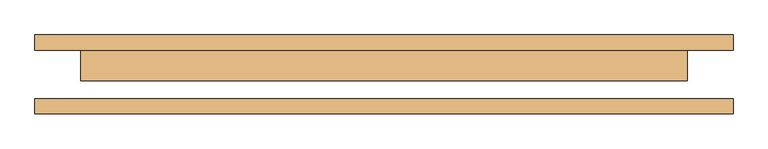
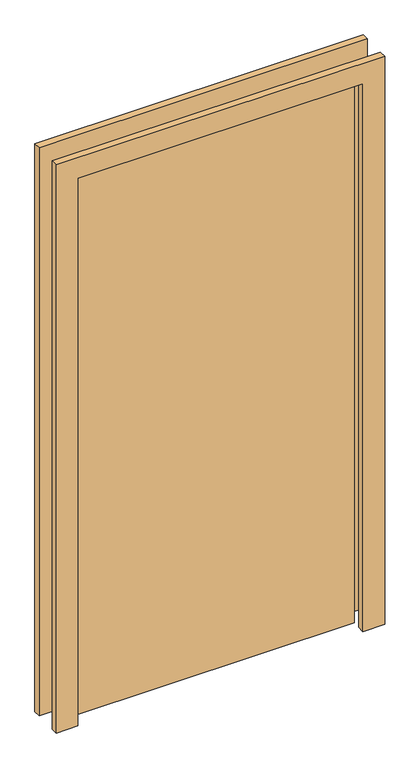
"""IFC4 building model written with IfcOpenShell, lengths in millimetres: door geometry."""

from ifc_helpers import new_model, si_unit, frame, origin, origin_with_axes, place, context, project, spatial, polyline, outline, extrude, source, transform, mapped, element, save


def door_ec6278f8(model_context):
    return source(origin(), model_context, "Body", "SweptSolid", [
        extrude(outline(polyline([(2108.0, -576.0), (0.0, -576.0), (0.0, -500.0), (2032.0, -500.0), (2032.0, 500.0), (0.0, 500.0), (0.0, 576.0), (2108.0, 576.0), (2108.0, -576.0)])), frame((0.0, 40.0, 0.0), z_axis=(0.0, 1.0, 0.0), x_axis=(0.0, 0.0, 1.0)), (0.0, 0.0, 1.0), 25.0),
        extrude(outline(polyline([(2108.0, 576.0), (2108.0, -576.0), (0.0, -576.0), (0.0, -500.0), (2032.0, -500.0), (2032.0, 500.0), (0.0, 500.0), (0.0, 576.0), (2108.0, 576.0)])), frame((0.0, -65.0, 0.0), z_axis=(0.0, 1.0, 0.0), x_axis=(0.0, 0.0, 1.0)), (0.0, 0.0, 1.0), 25.0),
        extrude(outline(polyline([(500.0, -11.0), (-500.0, -11.0), (-500.0, 40.0), (500.0, 40.0), (500.0, -11.0)])), origin_with_axes(), (0.0, 0.0, 1.0), 2032.0),
    ])


if __name__ == "__main__":
    model = new_model("IFC4")
    model_context = context("Model", 3, world=origin())
    ifc_project = project(units=[si_unit("LENGTHUNIT", "METRE", prefix="MILLI")], contexts=[model_context])
    site = spatial("IfcSite", under=ifc_project)
    building = spatial("IfcBuilding", under=site)
    placement = place(None, origin())
    door_shape = door_ec6278f8(model_context)
    element("IfcDoor", 1, at=placement, inside=building, context=model_context, shape_type="MappedRepresentation", body=[
        mapped(door_shape, transform((0.0, 0.0, 0.0), x_axis=(1.0, 0.0, 0.0), y_axis=(0.0, 1.0, 0.0), z_axis=(0.0, 0.0, 1.0))),
    ])
    save(model, "model.ifc")
